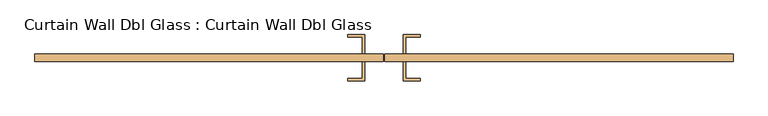
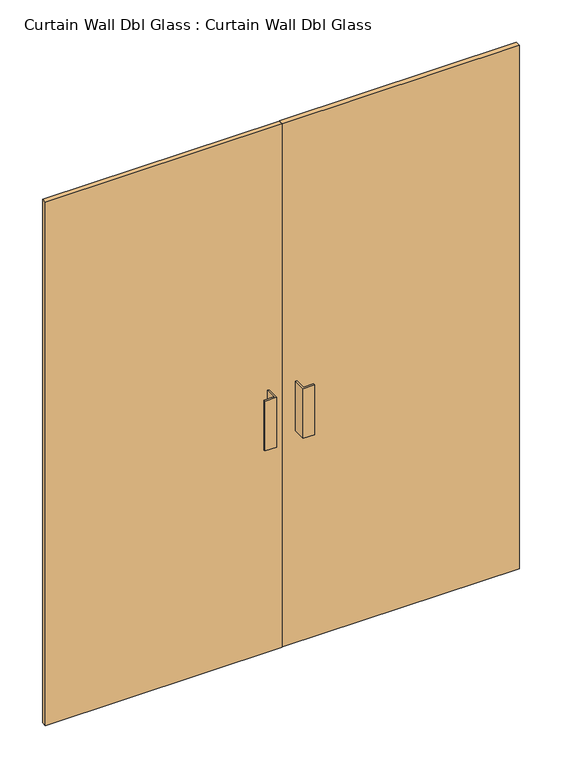
"""IFC4 building model written with IfcOpenShell, lengths in millimetres: door geometry, Curtain Wall Dbl Glass : Curtain Wall Dbl Glass."""

from ifc_helpers import new_model, si_unit, frame, origin, origin_with_axes, place, context, project, spatial, polyline, outline, extrude, source, transform, mapped, element, save


def curtain_wall_dbl_glass_curtain_wall_dbl_glass_51777e6d(model_context):
    return source(origin(), model_context, "Body", "SweptSolid", [
        extrude(outline(polyline([(-1.5875, 31.75), (-914.4, 31.75), (-914.4, 50.8), (-1.5875, 50.8), (-1.5875, 31.75)])), origin_with_axes(), (0.0, 0.0, 1.0), 2133.6),
        extrude(outline(polyline([(914.4, 31.75), (1.5875, 31.75), (1.5875, 50.8), (914.4, 50.8), (914.4, 31.75)])), origin_with_axes(), (0.0, 0.0, 1.0), 2133.6),
        extrude(outline(polyline([(-50.8, 101.6), (-50.8, 50.8), (-57.15, 50.8), (-57.15, 95.25), (-95.25, 95.25), (-95.25, 101.6), (-50.8, 101.6)])), frame((0.0, 0.0, 863.6), z_axis=(0.0, 0.0, 1.0), x_axis=(1.0, 0.0, 0.0)), (0.0, 0.0, 1.0), 203.2),
        extrude(outline(polyline([(50.8, 101.6), (95.25, 101.6), (95.25, 95.25), (57.15, 95.25), (57.15, 50.8), (50.8, 50.8), (50.8, 101.6)])), frame((0.0, 0.0, 863.6), z_axis=(0.0, 0.0, 1.0), x_axis=(1.0, 0.0, 0.0)), (0.0, 0.0, 1.0), 203.2),
        extrude(outline(polyline([(-50.8, -19.05), (-95.25, -19.05), (-95.25, -12.7), (-57.15, -12.7), (-57.15, 31.75), (-50.8, 31.75), (-50.8, -19.05)])), frame((0.0, 0.0, 863.6), z_axis=(0.0, 0.0, 1.0), x_axis=(1.0, 0.0, 0.0)), (0.0, 0.0, 1.0), 203.2),
        extrude(outline(polyline([(50.8, -19.05), (50.8, 31.75), (57.15, 31.75), (57.15, -12.7), (95.25, -12.7), (95.25, -19.05), (50.8, -19.05)])), frame((0.0, 0.0, 863.6), z_axis=(0.0, 0.0, 1.0), x_axis=(1.0, 0.0, 0.0)), (0.0, 0.0, 1.0), 203.2),
    ])


if __name__ == "__main__":
    model = new_model("IFC4")
    model_context = context("Model", 3, world=origin())
    ifc_project = project(units=[si_unit("LENGTHUNIT", "METRE", prefix="MILLI")], contexts=[model_context])
    site = spatial("IfcSite", under=ifc_project)
    building = spatial("IfcBuilding", under=site)
    placement = place(None, origin())
    curtain_wall_dbl_glass_curtain_wall_dbl_glass_shape = curtain_wall_dbl_glass_curtain_wall_dbl_glass_51777e6d(model_context)
    element("IfcDoor", 1, ObjectType="Curtain Wall Dbl Glass : Curtain Wall Dbl Glass", at=placement, inside=building, context=model_context, shape_type="MappedRepresentation", body=[
        mapped(curtain_wall_dbl_glass_curtain_wall_dbl_glass_shape, transform((0.0, 0.0, 0.0), x_axis=(1.0, 0.0, 0.0), y_axis=(0.0, 1.0, 0.0), z_axis=(0.0, 0.0, 1.0))),
    ])
    save(model, "model.ifc")
